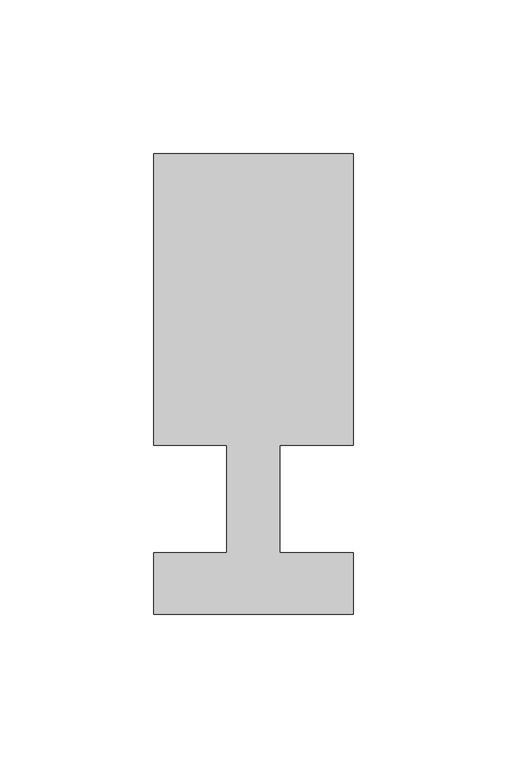
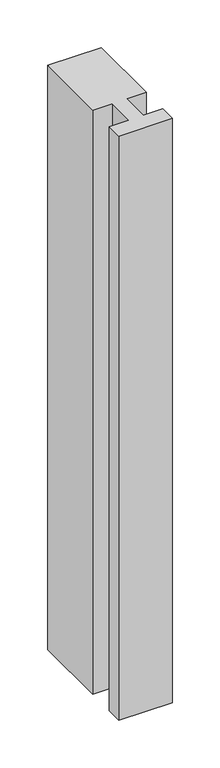
"""IFC4 building model written with IfcOpenShell, lengths in millimetres: member geometry."""

from ifc_helpers import new_model, si_unit, frame, origin, place, context, project, spatial, polyline, outline, extrude, source, transform, mapped, element, save


def member_583db485(model_context):
    return source(origin(), model_context, "Body", "SweptSolid", [
        extrude(outline(polyline([(0.0, -37.0), (-65.0, -37.0), (-65.0, -17.0), (-41.1875, -17.0), (-41.1875, 18.0), (-65.0, 18.0), (-65.0, 113.0), (0.0, 113.0), (0.0, 18.0), (-23.8125, 18.0), (-23.8125, -17.0), (0.0, -17.0), (0.0, -37.0)])), frame((0.0, 0.0, -750.0), z_axis=(0.0, 0.0, 1.0), x_axis=(1.0, 0.0, 0.0)), (0.0, 0.0, 1.0), 750.0),
    ])


if __name__ == "__main__":
    model = new_model("IFC4")
    model_context = context("Model", 3, world=origin())
    ifc_project = project(units=[si_unit("LENGTHUNIT", "METRE", prefix="MILLI")], contexts=[model_context])
    site = spatial("IfcSite", under=ifc_project)
    building = spatial("IfcBuilding", under=site)
    placement = place(None, origin())
    member_shape = member_583db485(model_context)
    element("IfcMember", 1, at=placement, inside=building, context=model_context, shape_type="MappedRepresentation", body=[
        mapped(member_shape, transform((0.0, 0.0, 0.0), x_axis=(1.0, 0.0, 0.0), y_axis=(0.0, 1.0, 0.0), z_axis=(0.0, 0.0, 1.0))),
    ])
    save(model, "model.ifc")
